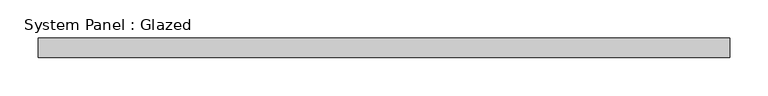
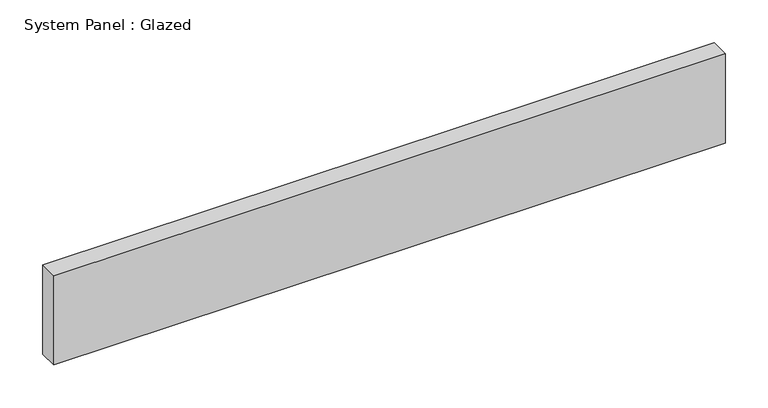
"""IFC4 building model written with IfcOpenShell, lengths in millimetres: plate geometry, System Panel : Glazed."""

import ifcopenshell
import ifcopenshell.guid

model = None  # the IFC model being written
_history = None  # IfcOwnerHistory: only IFC2X3 demands one
_inside = {}  # id of a spatial element -> (the spatial element, [elements in it])
_under = {}  # id of a project, library or spatial element -> (it, [spatial elements below it])
_declared = {}  # id of a project -> (the project, [libraries it declares])
_typed = {}  # id of a type object -> (the type object, [elements of that type])
_made_of = {}  # id of a material, layer set ... -> (it, [elements and type objects made of it])


def new_model(schema):
    """Start an empty IFC model of exactly this schema.

    Asked for "IFC4X3", IfcOpenShell would pick the latest addendum, in which some entities
    have other attributes; the version numbers below select the first issue.
    IFC2X3 requires an IfcOwnerHistory on every rooted entity: one is made here for all.
    """
    global model, _history
    if schema == "IFC4X3":
        model = ifcopenshell.file(schema_version=(4, 3, 0, 0))
    else:
        model = ifcopenshell.file(schema=schema)
    _inside.clear()
    _under.clear()
    _declared.clear()
    _typed.clear()
    _made_of.clear()
    _history = None
    if model.schema == "IFC2X3":
        org = make("IfcOrganization", Name="unknown")
        user = make(
            "IfcPersonAndOrganization",
            ThePerson=make("IfcPerson", FamilyName="unknown"),
            TheOrganization=org,
        )
        app = make(
            "IfcApplication",
            ApplicationDeveloper=org,
            Version="unknown",
            ApplicationFullName="unknown",
            ApplicationIdentifier="unknown",
        )
        _history = make(
            "IfcOwnerHistory",
            OwningUser=user,
            OwningApplication=app,
            ChangeAction="ADDED",
            CreationDate=0,
        )
    return model


def make(cls, **values):
    """One entity of the class cls with the attributes given. An attribute that is None is left unset."""
    return model.create_entity(
        cls, **{name: value for name, value in values.items() if value is not None}
    )


def rooted(cls, **values):
    """An entity with a GlobalId (a new one), such as an element, a storey or a relation."""
    return make(cls, GlobalId=ifcopenshell.guid.new(), OwnerHistory=_history, **values)


def si_unit(unit_type, name, prefix=None):
    """IfcSIUnit, for example si_unit("LENGTHUNIT", "METRE", prefix="MILLI")."""
    return make("IfcSIUnit", UnitType=unit_type, Prefix=prefix, Name=name)


def assignment(units):
    """IfcUnitAssignment: the units of a project."""
    return None if units is None else make("IfcUnitAssignment", Units=units)


def point(xyz):
    """IfcCartesianPoint."""
    return None if xyz is None else make("IfcCartesianPoint", Coordinates=xyz)


def direction(xyz):
    """IfcDirection."""
    return None if xyz is None else make("IfcDirection", DirectionRatios=xyz)


def frame(location, z_axis=None, x_axis=None):
    """IfcAxis2Placement3D, a coordinate frame: its origin and axes. An axis left out is left unset."""
    return make(
        "IfcAxis2Placement3D",
        Location=point(location),
        Axis=direction(z_axis),
        RefDirection=direction(x_axis),
    )


def origin():
    """The frame at (0, 0, 0) with its axes left unset."""
    return frame((0.0, 0.0, 0.0))


def origin_with_axes():
    """The frame at (0, 0, 0) with the z axis (0, 0, 1) and the x axis (1, 0, 0) written out."""
    return frame((0.0, 0.0, 0.0), z_axis=(0.0, 0.0, 1.0), x_axis=(1.0, 0.0, 0.0))


def place(relative_to, where):
    """IfcLocalPlacement: puts the frame where relative to a parent placement (None: the world)."""
    return make(
        "IfcLocalPlacement", PlacementRelTo=relative_to, RelativePlacement=where
    )


def context(
    kind, dimensions, precision=None, world=None, true_north=None, identifier=None
):
    """IfcGeometricRepresentationContext, for example the 3D "Model" context."""
    return make(
        "IfcGeometricRepresentationContext",
        ContextIdentifier=identifier,
        ContextType=kind,
        CoordinateSpaceDimension=dimensions,
        Precision=precision,
        WorldCoordinateSystem=world,
        TrueNorth=true_north,
    )


def project(units=None, contexts=None):
    """IfcProject with its units and contexts."""
    return rooted(
        "IfcProject",
        Name="project",
        RepresentationContexts=contexts,
        UnitsInContext=assignment(units),
    )


def spatial(cls, under=None, at=None, **own):
    """A site, building, storey or space (cls), placed at a placement, below another one or the project."""
    s = rooted(cls, ObjectPlacement=at, **own)
    if under is not None:
        _under.setdefault(under.id(), (under, []))[1].append(s)
    return s


def polyline(points):
    """IfcPolyline through the points."""
    return make("IfcPolyline", Points=[point(p) for p in points])


def outline(outer, holes=None, kind="AREA"):
    """IfcArbitraryClosedProfileDef: a profile drawn as a closed curve; with holes, ...WithVoids."""
    if holes is None:
        return make("IfcArbitraryClosedProfileDef", ProfileType=kind, OuterCurve=outer)
    return make(
        "IfcArbitraryProfileDefWithVoids",
        ProfileType=kind,
        OuterCurve=outer,
        InnerCurves=holes,
    )


def extrude(swept, where, along, depth):
    """IfcExtrudedAreaSolid: the profile swept, set in the frame where, extruded along a direction by depth."""
    return make(
        "IfcExtrudedAreaSolid",
        SweptArea=swept,
        Position=where,
        ExtrudedDirection=direction(along),
        Depth=depth,
    )


def shape(context_of_items, identifier, shape_type, items):
    """IfcShapeRepresentation: the items that make up one representation, for example the "Body"."""
    return make(
        "IfcShapeRepresentation",
        ContextOfItems=context_of_items,
        RepresentationIdentifier=identifier,
        RepresentationType=shape_type,
        Items=items,
    )


def source(mapping_origin, context_of_items, identifier, shape_type, items):
    """IfcRepresentationMap: a shape defined once, which mapped items show again and again."""
    return make(
        "IfcRepresentationMap",
        MappingOrigin=mapping_origin,
        MappedRepresentation=shape(context_of_items, identifier, shape_type, items),
    )


def transform(
    local_origin,
    x_axis=None,
    y_axis=None,
    z_axis=None,
    scale=None,
    scale2=None,
    scale3=None,
    uniform=True,
):
    """IfcCartesianTransformationOperator3D, or its non-uniform kind. x_axis, y_axis, z_axis: its Axis1, 2, 3."""
    if uniform:
        return make(
            "IfcCartesianTransformationOperator3D",
            Axis1=direction(x_axis),
            Axis2=direction(y_axis),
            LocalOrigin=point(local_origin),
            Scale=scale,
            Axis3=direction(z_axis),
        )
    return make(
        "IfcCartesianTransformationOperator3DnonUniform",
        Axis1=direction(x_axis),
        Axis2=direction(y_axis),
        LocalOrigin=point(local_origin),
        Scale=scale,
        Axis3=direction(z_axis),
        Scale2=scale2,
        Scale3=scale3,
    )


def mapped(mapping_source, mapping_target):
    """IfcMappedItem: shows the shape of a source again, moved by a transform."""
    return make(
        "IfcMappedItem", MappingSource=mapping_source, MappingTarget=mapping_target
    )


def made_of(thing, what):
    """Note that an element or type object is made of a material, layer set ...; save() writes the relation."""
    if what is not None:
        _made_of.setdefault(what.id(), (what, []))[1].append(thing)
    return thing


def element(
    cls,
    number,
    at=None,
    inside=None,
    cuts=None,
    type_object=None,
    material=None,
    context=None,
    identifier="Body",
    shape_type=None,
    held_by="IfcProductDefinitionShape",
    body=None,
    shapes=None,
    **own,
):
    """One element of the class cls, such as IfcWall. Its Tag is "e" and its number.

    at: its placement. inside: the storey or other place that contains it. cuts: it is an
    opening in that element (IfcRelVoidsElement). A single representation is given by context,
    identifier, shape_type and body (its items); several are given by shapes. held_by: the class
    of the entity that holds the representations. save() writes the other relations.
    """
    e = rooted(cls, Tag="e%d" % number, ObjectPlacement=at, **own)
    if body is not None:
        shapes = [shape(context, identifier, shape_type, body)]
    if shapes is not None:
        e.Representation = make(held_by, Representations=shapes)
    if inside is not None:
        _inside.setdefault(inside.id(), (inside, []))[1].append(e)
    if cuts is not None:
        rooted(
            "IfcRelVoidsElement", RelatingBuildingElement=cuts, RelatedOpeningElement=e
        )
    if type_object is not None:
        _typed.setdefault(type_object.id(), (type_object, []))[1].append(e)
    return made_of(e, material)


def aggregate(whole, parts):
    """IfcRelAggregates: a whole, such as a stair, and the parts it consists of."""
    return rooted("IfcRelAggregates", RelatingObject=whole, RelatedObjects=parts)


def save(model, path):
    """Write the relations noted so far, then the file.

    IfcRelAggregates (storeys below a building ...), IfcRelContainedInSpatialStructure (elements
    in a storey), IfcRelDefinesByType, IfcRelAssociatesMaterial and IfcRelDeclares: one each for
    every whole, place, type object, material and project.
    """
    for whole, parts in _under.values():
        aggregate(whole, parts)
    for where, things in _inside.values():
        rooted(
            "IfcRelContainedInSpatialStructure",
            RelatedElements=things,
            RelatingStructure=where,
        )
    for kind, things in _typed.values():
        rooted("IfcRelDefinesByType", RelatedObjects=things, RelatingType=kind)
    for what, things in _made_of.values():
        rooted("IfcRelAssociatesMaterial", RelatedObjects=things, RelatingMaterial=what)
    for by, libraries in _declared.values():
        rooted("IfcRelDeclares", RelatingContext=by, RelatedDefinitions=libraries)
    model.write(path)


def system_panel_glazed_d230f3e0(model_context):
    return source(origin(), model_context, "Body", "SweptSolid", [
        extrude(outline(polyline([(451.0147001, -12.7), (-451.0147001, -12.7), (-451.0147001, 12.7), (451.0147001, 12.7), (451.0147001, -12.7)])), origin_with_axes(), (0.0, 0.0, 1.0), 127.0),
    ])


if __name__ == "__main__":
    model = new_model("IFC4")
    model_context = context("Model", 3, world=origin())
    ifc_project = project(units=[si_unit("LENGTHUNIT", "METRE", prefix="MILLI")], contexts=[model_context])
    site = spatial("IfcSite", under=ifc_project)
    building = spatial("IfcBuilding", under=site)
    placement = place(None, origin())
    system_panel_glazed_shape = system_panel_glazed_d230f3e0(model_context)
    element("IfcPlate", 1, ObjectType="System Panel : Glazed", at=placement, inside=building, context=model_context, shape_type="MappedRepresentation", body=[
        mapped(system_panel_glazed_shape, transform((0.0, 0.0, 0.0), x_axis=(1.0, 0.0, 0.0), y_axis=(0.0, 1.0, 0.0), z_axis=(0.0, 0.0, 1.0))),
    ])
    save(model, "model.ifc")
